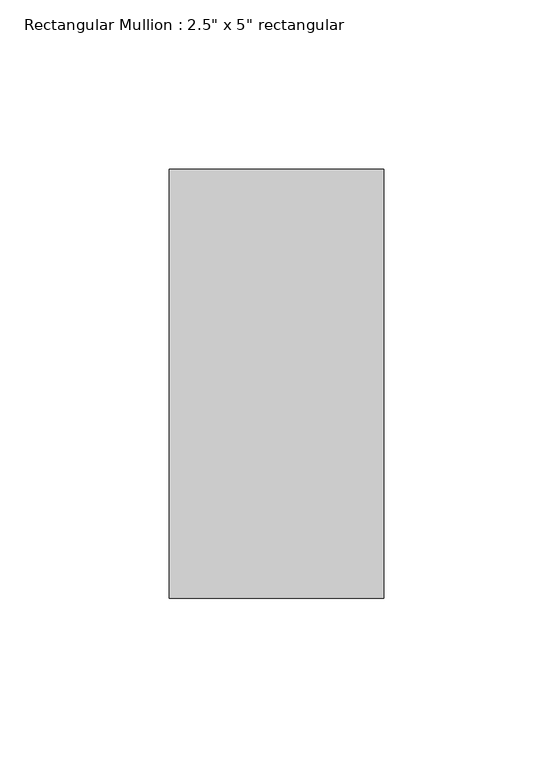
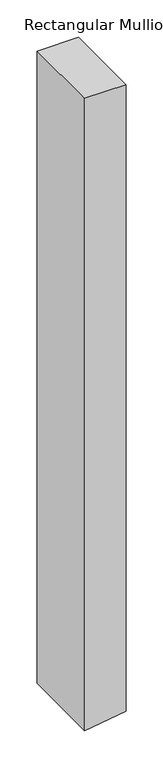
"""IFC4 building model written with IfcOpenShell, lengths in millimetres: member geometry."""

import ifcopenshell
import ifcopenshell.guid

model = None  # the IFC model being written
_history = None  # IfcOwnerHistory: only IFC2X3 demands one
_inside = {}  # id of a spatial element -> (the spatial element, [elements in it])
_under = {}  # id of a project, library or spatial element -> (it, [spatial elements below it])
_declared = {}  # id of a project -> (the project, [libraries it declares])
_typed = {}  # id of a type object -> (the type object, [elements of that type])
_made_of = {}  # id of a material, layer set ... -> (it, [elements and type objects made of it])


def new_model(schema):
    """Start an empty IFC model of exactly this schema.

    Asked for "IFC4X3", IfcOpenShell would pick the latest addendum, in which some entities
    have other attributes; the version numbers below select the first issue.
    IFC2X3 requires an IfcOwnerHistory on every rooted entity: one is made here for all.
    """
    global model, _history
    if schema == "IFC4X3":
        model = ifcopenshell.file(schema_version=(4, 3, 0, 0))
    else:
        model = ifcopenshell.file(schema=schema)
    _inside.clear()
    _under.clear()
    _declared.clear()
    _typed.clear()
    _made_of.clear()
    _history = None
    if model.schema == "IFC2X3":
        org = make("IfcOrganization", Name="unknown")
        user = make(
            "IfcPersonAndOrganization",
            ThePerson=make("IfcPerson", FamilyName="unknown"),
            TheOrganization=org,
        )
        app = make(
            "IfcApplication",
            ApplicationDeveloper=org,
            Version="unknown",
            ApplicationFullName="unknown",
            ApplicationIdentifier="unknown",
        )
        _history = make(
            "IfcOwnerHistory",
            OwningUser=user,
            OwningApplication=app,
            ChangeAction="ADDED",
            CreationDate=0,
        )
    return model


def make(cls, **values):
    """One entity of the class cls with the attributes given. An attribute that is None is left unset."""
    return model.create_entity(
        cls, **{name: value for name, value in values.items() if value is not None}
    )


def rooted(cls, **values):
    """An entity with a GlobalId (a new one), such as an element, a storey or a relation."""
    return make(cls, GlobalId=ifcopenshell.guid.new(), OwnerHistory=_history, **values)


def si_unit(unit_type, name, prefix=None):
    """IfcSIUnit, for example si_unit("LENGTHUNIT", "METRE", prefix="MILLI")."""
    return make("IfcSIUnit", UnitType=unit_type, Prefix=prefix, Name=name)


def assignment(units):
    """IfcUnitAssignment: the units of a project."""
    return None if units is None else make("IfcUnitAssignment", Units=units)


def point(xyz):
    """IfcCartesianPoint."""
    return None if xyz is None else make("IfcCartesianPoint", Coordinates=xyz)


def direction(xyz):
    """IfcDirection."""
    return None if xyz is None else make("IfcDirection", DirectionRatios=xyz)


def frame(location, z_axis=None, x_axis=None):
    """IfcAxis2Placement3D, a coordinate frame: its origin and axes. An axis left out is left unset."""
    return make(
        "IfcAxis2Placement3D",
        Location=point(location),
        Axis=direction(z_axis),
        RefDirection=direction(x_axis),
    )


def origin():
    """The frame at (0, 0, 0) with its axes left unset."""
    return frame((0.0, 0.0, 0.0))


def place(relative_to, where):
    """IfcLocalPlacement: puts the frame where relative to a parent placement (None: the world)."""
    return make(
        "IfcLocalPlacement", PlacementRelTo=relative_to, RelativePlacement=where
    )


def context(
    kind, dimensions, precision=None, world=None, true_north=None, identifier=None
):
    """IfcGeometricRepresentationContext, for example the 3D "Model" context."""
    return make(
        "IfcGeometricRepresentationContext",
        ContextIdentifier=identifier,
        ContextType=kind,
        CoordinateSpaceDimension=dimensions,
        Precision=precision,
        WorldCoordinateSystem=world,
        TrueNorth=true_north,
    )


def project(units=None, contexts=None):
    """IfcProject with its units and contexts."""
    return rooted(
        "IfcProject",
        Name="project",
        RepresentationContexts=contexts,
        UnitsInContext=assignment(units),
    )


def spatial(cls, under=None, at=None, **own):
    """A site, building, storey or space (cls), placed at a placement, below another one or the project."""
    s = rooted(cls, ObjectPlacement=at, **own)
    if under is not None:
        _under.setdefault(under.id(), (under, []))[1].append(s)
    return s


def polyline(points):
    """IfcPolyline through the points."""
    return make("IfcPolyline", Points=[point(p) for p in points])


def outline(outer, holes=None, kind="AREA"):
    """IfcArbitraryClosedProfileDef: a profile drawn as a closed curve; with holes, ...WithVoids."""
    if holes is None:
        return make("IfcArbitraryClosedProfileDef", ProfileType=kind, OuterCurve=outer)
    return make(
        "IfcArbitraryProfileDefWithVoids",
        ProfileType=kind,
        OuterCurve=outer,
        InnerCurves=holes,
    )


def extrude(swept, where, along, depth):
    """IfcExtrudedAreaSolid: the profile swept, set in the frame where, extruded along a direction by depth."""
    return make(
        "IfcExtrudedAreaSolid",
        SweptArea=swept,
        Position=where,
        ExtrudedDirection=direction(along),
        Depth=depth,
    )


def shape(context_of_items, identifier, shape_type, items):
    """IfcShapeRepresentation: the items that make up one representation, for example the "Body"."""
    return make(
        "IfcShapeRepresentation",
        ContextOfItems=context_of_items,
        RepresentationIdentifier=identifier,
        RepresentationType=shape_type,
        Items=items,
    )


def source(mapping_origin, context_of_items, identifier, shape_type, items):
    """IfcRepresentationMap: a shape defined once, which mapped items show again and again."""
    return make(
        "IfcRepresentationMap",
        MappingOrigin=mapping_origin,
        MappedRepresentation=shape(context_of_items, identifier, shape_type, items),
    )


def transform(
    local_origin,
    x_axis=None,
    y_axis=None,
    z_axis=None,
    scale=None,
    scale2=None,
    scale3=None,
    uniform=True,
):
    """IfcCartesianTransformationOperator3D, or its non-uniform kind. x_axis, y_axis, z_axis: its Axis1, 2, 3."""
    if uniform:
        return make(
            "IfcCartesianTransformationOperator3D",
            Axis1=direction(x_axis),
            Axis2=direction(y_axis),
            LocalOrigin=point(local_origin),
            Scale=scale,
            Axis3=direction(z_axis),
        )
    return make(
        "IfcCartesianTransformationOperator3DnonUniform",
        Axis1=direction(x_axis),
        Axis2=direction(y_axis),
        LocalOrigin=point(local_origin),
        Scale=scale,
        Axis3=direction(z_axis),
        Scale2=scale2,
        Scale3=scale3,
    )


def mapped(mapping_source, mapping_target):
    """IfcMappedItem: shows the shape of a source again, moved by a transform."""
    return make(
        "IfcMappedItem", MappingSource=mapping_source, MappingTarget=mapping_target
    )


def made_of(thing, what):
    """Note that an element or type object is made of a material, layer set ...; save() writes the relation."""
    if what is not None:
        _made_of.setdefault(what.id(), (what, []))[1].append(thing)
    return thing


def element(
    cls,
    number,
    at=None,
    inside=None,
    cuts=None,
    type_object=None,
    material=None,
    context=None,
    identifier="Body",
    shape_type=None,
    held_by="IfcProductDefinitionShape",
    body=None,
    shapes=None,
    **own,
):
    """One element of the class cls, such as IfcWall. Its Tag is "e" and its number.

    at: its placement. inside: the storey or other place that contains it. cuts: it is an
    opening in that element (IfcRelVoidsElement). A single representation is given by context,
    identifier, shape_type and body (its items); several are given by shapes. held_by: the class
    of the entity that holds the representations. save() writes the other relations.
    """
    e = rooted(cls, Tag="e%d" % number, ObjectPlacement=at, **own)
    if body is not None:
        shapes = [shape(context, identifier, shape_type, body)]
    if shapes is not None:
        e.Representation = make(held_by, Representations=shapes)
    if inside is not None:
        _inside.setdefault(inside.id(), (inside, []))[1].append(e)
    if cuts is not None:
        rooted(
            "IfcRelVoidsElement", RelatingBuildingElement=cuts, RelatedOpeningElement=e
        )
    if type_object is not None:
        _typed.setdefault(type_object.id(), (type_object, []))[1].append(e)
    return made_of(e, material)


def aggregate(whole, parts):
    """IfcRelAggregates: a whole, such as a stair, and the parts it consists of."""
    return rooted("IfcRelAggregates", RelatingObject=whole, RelatedObjects=parts)


def save(model, path):
    """Write the relations noted so far, then the file.

    IfcRelAggregates (storeys below a building ...), IfcRelContainedInSpatialStructure (elements
    in a storey), IfcRelDefinesByType, IfcRelAssociatesMaterial and IfcRelDeclares: one each for
    every whole, place, type object, material and project.
    """
    for whole, parts in _under.values():
        aggregate(whole, parts)
    for where, things in _inside.values():
        rooted(
            "IfcRelContainedInSpatialStructure",
            RelatedElements=things,
            RelatingStructure=where,
        )
    for kind, things in _typed.values():
        rooted("IfcRelDefinesByType", RelatedObjects=things, RelatingType=kind)
    for what, things in _made_of.values():
        rooted("IfcRelAssociatesMaterial", RelatedObjects=things, RelatingMaterial=what)
    for by, libraries in _declared.values():
        rooted("IfcRelDeclares", RelatingContext=by, RelatedDefinitions=libraries)
    model.write(path)


def member_2acaa707(model_context):
    return source(origin(), model_context, "Body", "SweptSolid", [
        extrude(outline(polyline([(0.0, 0.0), (0.0, -63.5), (-1031.9575985, -63.5), (-1022.4419725, 0.0), (0.0, 0.0)])), frame((0.0, -63.5, 0.0), z_axis=(0.0, 1.0, 0.0), x_axis=(0.0, 0.0, 1.0)), (0.0, 0.0, 1.0), 127.0),
    ])


if __name__ == "__main__":
    model = new_model("IFC4")
    model_context = context("Model", 3, world=origin())
    ifc_project = project(units=[si_unit("LENGTHUNIT", "METRE", prefix="MILLI")], contexts=[model_context])
    site = spatial("IfcSite", under=ifc_project)
    building = spatial("IfcBuilding", under=site)
    placement = place(None, origin())
    member_shape = member_2acaa707(model_context)
    element("IfcMember", 1, ObjectType="Rectangular Mullion : 2.5\" x 5\" rectangular", at=placement, inside=building, context=model_context, shape_type="MappedRepresentation", body=[
        mapped(member_shape, transform((0.0, 0.0, 0.0), x_axis=(1.0, 0.0, 0.0), y_axis=(0.0, 1.0, 0.0), z_axis=(0.0, 0.0, 1.0))),
    ])
    save(model, "model.ifc")
